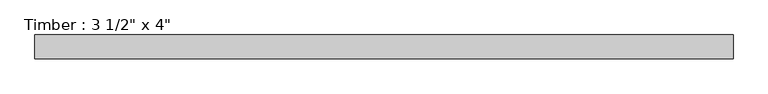
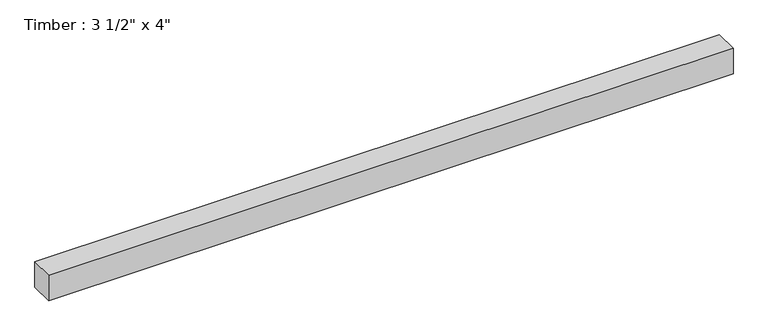
"""IFC4 building model written with IfcOpenShell, lengths in millimetres: beam geometry."""

import ifcopenshell
import ifcopenshell.guid

model = None  # the IFC model being written
_history = None  # IfcOwnerHistory: only IFC2X3 demands one
_inside = {}  # id of a spatial element -> (the spatial element, [elements in it])
_under = {}  # id of a project, library or spatial element -> (it, [spatial elements below it])
_declared = {}  # id of a project -> (the project, [libraries it declares])
_typed = {}  # id of a type object -> (the type object, [elements of that type])
_made_of = {}  # id of a material, layer set ... -> (it, [elements and type objects made of it])


def new_model(schema):
    """Start an empty IFC model of exactly this schema.

    Asked for "IFC4X3", IfcOpenShell would pick the latest addendum, in which some entities
    have other attributes; the version numbers below select the first issue.
    IFC2X3 requires an IfcOwnerHistory on every rooted entity: one is made here for all.
    """
    global model, _history
    if schema == "IFC4X3":
        model = ifcopenshell.file(schema_version=(4, 3, 0, 0))
    else:
        model = ifcopenshell.file(schema=schema)
    _inside.clear()
    _under.clear()
    _declared.clear()
    _typed.clear()
    _made_of.clear()
    _history = None
    if model.schema == "IFC2X3":
        org = make("IfcOrganization", Name="unknown")
        user = make(
            "IfcPersonAndOrganization",
            ThePerson=make("IfcPerson", FamilyName="unknown"),
            TheOrganization=org,
        )
        app = make(
            "IfcApplication",
            ApplicationDeveloper=org,
            Version="unknown",
            ApplicationFullName="unknown",
            ApplicationIdentifier="unknown",
        )
        _history = make(
            "IfcOwnerHistory",
            OwningUser=user,
            OwningApplication=app,
            ChangeAction="ADDED",
            CreationDate=0,
        )
    return model


def make(cls, **values):
    """One entity of the class cls with the attributes given. An attribute that is None is left unset."""
    return model.create_entity(
        cls, **{name: value for name, value in values.items() if value is not None}
    )


def rooted(cls, **values):
    """An entity with a GlobalId (a new one), such as an element, a storey or a relation."""
    return make(cls, GlobalId=ifcopenshell.guid.new(), OwnerHistory=_history, **values)


def si_unit(unit_type, name, prefix=None):
    """IfcSIUnit, for example si_unit("LENGTHUNIT", "METRE", prefix="MILLI")."""
    return make("IfcSIUnit", UnitType=unit_type, Prefix=prefix, Name=name)


def assignment(units):
    """IfcUnitAssignment: the units of a project."""
    return None if units is None else make("IfcUnitAssignment", Units=units)


def point(xyz):
    """IfcCartesianPoint."""
    return None if xyz is None else make("IfcCartesianPoint", Coordinates=xyz)


def direction(xyz):
    """IfcDirection."""
    return None if xyz is None else make("IfcDirection", DirectionRatios=xyz)


def frame(location, z_axis=None, x_axis=None):
    """IfcAxis2Placement3D, a coordinate frame: its origin and axes. An axis left out is left unset."""
    return make(
        "IfcAxis2Placement3D",
        Location=point(location),
        Axis=direction(z_axis),
        RefDirection=direction(x_axis),
    )


def origin():
    """The frame at (0, 0, 0) with its axes left unset."""
    return frame((0.0, 0.0, 0.0))


def place(relative_to, where):
    """IfcLocalPlacement: puts the frame where relative to a parent placement (None: the world)."""
    return make(
        "IfcLocalPlacement", PlacementRelTo=relative_to, RelativePlacement=where
    )


def context(
    kind, dimensions, precision=None, world=None, true_north=None, identifier=None
):
    """IfcGeometricRepresentationContext, for example the 3D "Model" context."""
    return make(
        "IfcGeometricRepresentationContext",
        ContextIdentifier=identifier,
        ContextType=kind,
        CoordinateSpaceDimension=dimensions,
        Precision=precision,
        WorldCoordinateSystem=world,
        TrueNorth=true_north,
    )


def project(units=None, contexts=None):
    """IfcProject with its units and contexts."""
    return rooted(
        "IfcProject",
        Name="project",
        RepresentationContexts=contexts,
        UnitsInContext=assignment(units),
    )


def spatial(cls, under=None, at=None, **own):
    """A site, building, storey or space (cls), placed at a placement, below another one or the project."""
    s = rooted(cls, ObjectPlacement=at, **own)
    if under is not None:
        _under.setdefault(under.id(), (under, []))[1].append(s)
    return s


def polyline(points):
    """IfcPolyline through the points."""
    return make("IfcPolyline", Points=[point(p) for p in points])


def outline(outer, holes=None, kind="AREA"):
    """IfcArbitraryClosedProfileDef: a profile drawn as a closed curve; with holes, ...WithVoids."""
    if holes is None:
        return make("IfcArbitraryClosedProfileDef", ProfileType=kind, OuterCurve=outer)
    return make(
        "IfcArbitraryProfileDefWithVoids",
        ProfileType=kind,
        OuterCurve=outer,
        InnerCurves=holes,
    )


def extrude(swept, where, along, depth):
    """IfcExtrudedAreaSolid: the profile swept, set in the frame where, extruded along a direction by depth."""
    return make(
        "IfcExtrudedAreaSolid",
        SweptArea=swept,
        Position=where,
        ExtrudedDirection=direction(along),
        Depth=depth,
    )


def shape(context_of_items, identifier, shape_type, items):
    """IfcShapeRepresentation: the items that make up one representation, for example the "Body"."""
    return make(
        "IfcShapeRepresentation",
        ContextOfItems=context_of_items,
        RepresentationIdentifier=identifier,
        RepresentationType=shape_type,
        Items=items,
    )


def source(mapping_origin, context_of_items, identifier, shape_type, items):
    """IfcRepresentationMap: a shape defined once, which mapped items show again and again."""
    return make(
        "IfcRepresentationMap",
        MappingOrigin=mapping_origin,
        MappedRepresentation=shape(context_of_items, identifier, shape_type, items),
    )


def transform(
    local_origin,
    x_axis=None,
    y_axis=None,
    z_axis=None,
    scale=None,
    scale2=None,
    scale3=None,
    uniform=True,
):
    """IfcCartesianTransformationOperator3D, or its non-uniform kind. x_axis, y_axis, z_axis: its Axis1, 2, 3."""
    if uniform:
        return make(
            "IfcCartesianTransformationOperator3D",
            Axis1=direction(x_axis),
            Axis2=direction(y_axis),
            LocalOrigin=point(local_origin),
            Scale=scale,
            Axis3=direction(z_axis),
        )
    return make(
        "IfcCartesianTransformationOperator3DnonUniform",
        Axis1=direction(x_axis),
        Axis2=direction(y_axis),
        LocalOrigin=point(local_origin),
        Scale=scale,
        Axis3=direction(z_axis),
        Scale2=scale2,
        Scale3=scale3,
    )


def mapped(mapping_source, mapping_target):
    """IfcMappedItem: shows the shape of a source again, moved by a transform."""
    return make(
        "IfcMappedItem", MappingSource=mapping_source, MappingTarget=mapping_target
    )


def made_of(thing, what):
    """Note that an element or type object is made of a material, layer set ...; save() writes the relation."""
    if what is not None:
        _made_of.setdefault(what.id(), (what, []))[1].append(thing)
    return thing


def element(
    cls,
    number,
    at=None,
    inside=None,
    cuts=None,
    type_object=None,
    material=None,
    context=None,
    identifier="Body",
    shape_type=None,
    held_by="IfcProductDefinitionShape",
    body=None,
    shapes=None,
    **own,
):
    """One element of the class cls, such as IfcWall. Its Tag is "e" and its number.

    at: its placement. inside: the storey or other place that contains it. cuts: it is an
    opening in that element (IfcRelVoidsElement). A single representation is given by context,
    identifier, shape_type and body (its items); several are given by shapes. held_by: the class
    of the entity that holds the representations. save() writes the other relations.
    """
    e = rooted(cls, Tag="e%d" % number, ObjectPlacement=at, **own)
    if body is not None:
        shapes = [shape(context, identifier, shape_type, body)]
    if shapes is not None:
        e.Representation = make(held_by, Representations=shapes)
    if inside is not None:
        _inside.setdefault(inside.id(), (inside, []))[1].append(e)
    if cuts is not None:
        rooted(
            "IfcRelVoidsElement", RelatingBuildingElement=cuts, RelatedOpeningElement=e
        )
    if type_object is not None:
        _typed.setdefault(type_object.id(), (type_object, []))[1].append(e)
    return made_of(e, material)


def aggregate(whole, parts):
    """IfcRelAggregates: a whole, such as a stair, and the parts it consists of."""
    return rooted("IfcRelAggregates", RelatingObject=whole, RelatedObjects=parts)


def save(model, path):
    """Write the relations noted so far, then the file.

    IfcRelAggregates (storeys below a building ...), IfcRelContainedInSpatialStructure (elements
    in a storey), IfcRelDefinesByType, IfcRelAssociatesMaterial and IfcRelDeclares: one each for
    every whole, place, type object, material and project.
    """
    for whole, parts in _under.values():
        aggregate(whole, parts)
    for where, things in _inside.values():
        rooted(
            "IfcRelContainedInSpatialStructure",
            RelatedElements=things,
            RelatingStructure=where,
        )
    for kind, things in _typed.values():
        rooted("IfcRelDefinesByType", RelatedObjects=things, RelatingType=kind)
    for what, things in _made_of.values():
        rooted("IfcRelAssociatesMaterial", RelatedObjects=things, RelatingMaterial=what)
    for by, libraries in _declared.values():
        rooted("IfcRelDeclares", RelatingContext=by, RelatedDefinitions=libraries)
    model.write(path)


def beam_c095dee9(model_context):
    return source(origin(), model_context, "Body", "SweptSolid", [
        extrude(outline(polyline([(1288.6617257, -44.45), (-1288.6617257, -44.45), (-1288.6617257, 44.45), (1288.6617257, 44.45), (1288.6617257, -44.45)])), frame((0.0, 0.0, -50.8), z_axis=(0.0, 0.0, 1.0), x_axis=(1.0, 0.0, 0.0)), (0.0, 0.0, 1.0), 101.6),
    ])


if __name__ == "__main__":
    model = new_model("IFC4")
    model_context = context("Model", 3, world=origin())
    ifc_project = project(units=[si_unit("LENGTHUNIT", "METRE", prefix="MILLI")], contexts=[model_context])
    site = spatial("IfcSite", under=ifc_project)
    building = spatial("IfcBuilding", under=site)
    placement = place(None, origin())
    beam_shape = beam_c095dee9(model_context)
    element("IfcBeam", 1, ObjectType="Timber : 3 1/2\" x 4\"", at=placement, inside=building, context=model_context, shape_type="MappedRepresentation", body=[
        mapped(beam_shape, transform((0.0, 0.0, 0.0), x_axis=(1.0, 0.0, 0.0), y_axis=(0.0, 1.0, 0.0), z_axis=(0.0, 0.0, 1.0))),
    ])
    save(model, "model.ifc")
